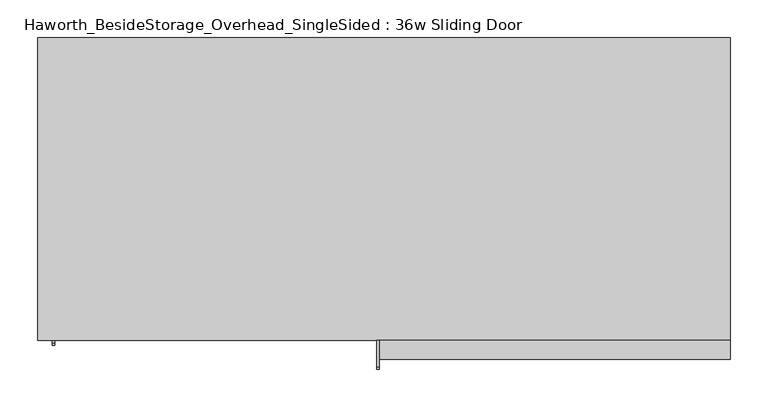
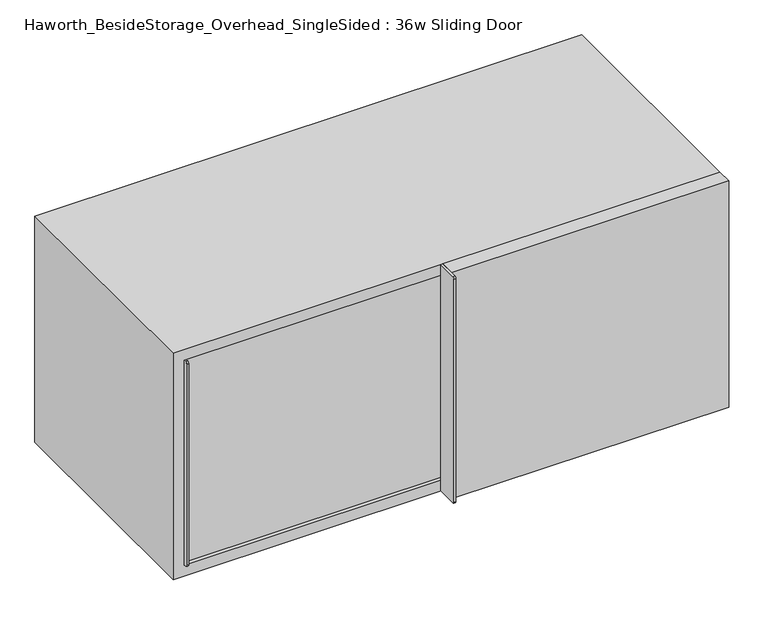
"""IFC4 building model written with IfcOpenShell, lengths in millimetres: furniture geometry, Haworth_BesideStorage_Overhead_SingleSided : 36w Sliding Door."""

from ifc_helpers import new_model, si_unit, point, frame, frame_2d, origin, place, context, project, spatial, polyline, circle_curve, trimmed, segment, composite_curve, outline, extrude, source, transform, mapped, element, save


def haworth_besidestorage_overhead_singlesided_36w_sliding_door_0c752f60(model_context):
    return source(origin(), model_context, "Body", "SweptSolid", [
        extrude(outline(composite_curve([segment(polyline([(-400.05, 1162.05), (-400.05, 762.0), (-434.975, 762.0)]), True, "CONTINUOUS"), segment(trimmed(circle_curve(frame_2d((-434.975, 765.175)), 3.175), [point((-434.975, 762.0))], [point((-438.15, 765.175))], False, "CARTESIAN"), True, "CONTINUOUS"), segment(polyline([(-438.15, 765.175), (-438.15, 1158.875)]), True, "CONTINUOUS"), segment(trimmed(circle_curve(frame_2d((-434.975, 1158.875)), 3.175), [point((-438.15, 1158.875))], [point((-434.975, 1162.05))], False, "CARTESIAN"), True, "CONTINUOUS"), segment(polyline([(-434.975, 1162.05), (-400.05, 1162.05)]), True, "CONTINUOUS")], self_intersect=False)), frame((155.575, 0.0, 0.0), z_axis=(1.0, 0.0, 0.0), x_axis=(0.0, 1.0, 0.0)), (0.0, 0.0, 1.0), 3.175),
        extrude(outline(polyline([(622.3, -400.05), (622.3, -425.45), (158.75, -425.45), (158.75, -400.05), (622.3, -400.05)])), frame((0.0, 0.0, 762.0), z_axis=(0.0, 0.0, 1.0), x_axis=(1.0, 0.0, 0.0)), (0.0, 0.0, 1.0), 400.05),
        extrude(outline(composite_curve([segment(polyline([(-368.3, 1143.0), (-368.3, 781.05), (-403.225, 781.05)]), True, "CONTINUOUS"), segment(trimmed(circle_curve(frame_2d((-403.225, 784.225)), 3.175), [point((-403.225, 781.05))], [point((-406.4, 784.225))], False, "CARTESIAN"), True, "CONTINUOUS"), segment(polyline([(-406.4, 784.225), (-406.4, 1139.825)]), True, "CONTINUOUS"), segment(trimmed(circle_curve(frame_2d((-403.225, 1139.825)), 3.175), [point((-406.4, 1139.825))], [point((-403.225, 1143.0))], False, "CARTESIAN"), True, "CONTINUOUS"), segment(polyline([(-403.225, 1143.0), (-368.3, 1143.0)]), True, "CONTINUOUS")], self_intersect=False)), frame((-273.05, 0.0, 0.0), z_axis=(1.0, 0.0, 0.0), x_axis=(0.0, 1.0, 0.0)), (0.0, 0.0, 1.0), 3.175),
        extrude(outline(polyline([(174.625, -368.3), (174.625, -393.7), (-269.875, -393.7), (-269.875, -368.3), (174.625, -368.3)])), frame((0.0, 0.0, 781.05), z_axis=(0.0, 0.0, 1.0), x_axis=(1.0, 0.0, 0.0)), (0.0, 0.0, 1.0), 361.95),
        extrude(outline(polyline([(174.625, -368.3), (155.575, -368.3), (155.575, -19.05), (174.625, -19.05), (174.625, -368.3)])), frame((0.0, 0.0, 781.05), z_axis=(0.0, 0.0, 1.0), x_axis=(1.0, 0.0, 0.0)), (0.0, 0.0, 1.0), 361.95),
        extrude(outline(polyline([(603.25, -19.05), (-273.05, -19.05), (-273.05, 0.0), (603.25, 0.0), (603.25, -19.05)])), frame((0.0, 0.0, 781.05), z_axis=(0.0, 0.0, 1.0), x_axis=(1.0, 0.0, 0.0)), (0.0, 0.0, 1.0), 361.95),
        extrude(outline(polyline([(762.0, 622.3), (1162.05, 622.3), (1162.05, -292.1), (762.0, -292.1), (762.0, 622.3)]), holes=[polyline([(1143.0, 603.25), (781.05, 603.25), (781.05, -273.05), (1143.0, -273.05), (1143.0, 603.25)])]), frame((0.0, -400.05, 0.0), z_axis=(0.0, 1.0, 0.0), x_axis=(0.0, 0.0, 1.0)), (0.0, 0.0, 1.0), 400.05),
    ])


if __name__ == "__main__":
    model = new_model("IFC4")
    model_context = context("Model", 3, world=origin())
    ifc_project = project(units=[si_unit("LENGTHUNIT", "METRE", prefix="MILLI")], contexts=[model_context])
    site = spatial("IfcSite", under=ifc_project)
    building = spatial("IfcBuilding", under=site)
    placement = place(None, origin())
    haworth_besidestorage_overhead_singlesided_36w_sliding_door_shape = haworth_besidestorage_overhead_singlesided_36w_sliding_door_0c752f60(model_context)
    element("IfcFurniture", 1, ObjectType="Haworth_BesideStorage_Overhead_SingleSided : 36w Sliding Door", at=placement, inside=building, context=model_context, shape_type="MappedRepresentation", body=[
        mapped(haworth_besidestorage_overhead_singlesided_36w_sliding_door_shape, transform((0.0, 0.0, 0.0), x_axis=(1.0, 0.0, 0.0), y_axis=(0.0, 1.0, 0.0), z_axis=(0.0, 0.0, 1.0))),
    ])
    save(model, "model.ifc")
